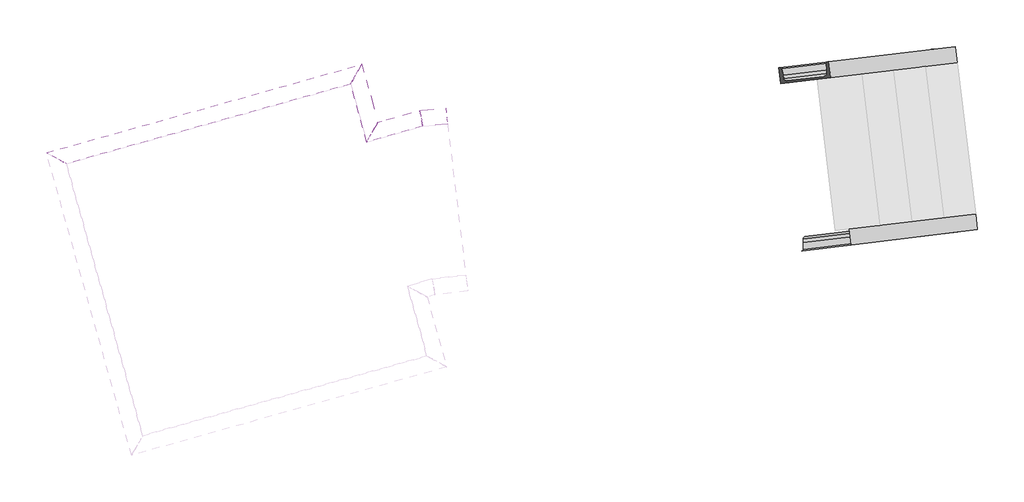
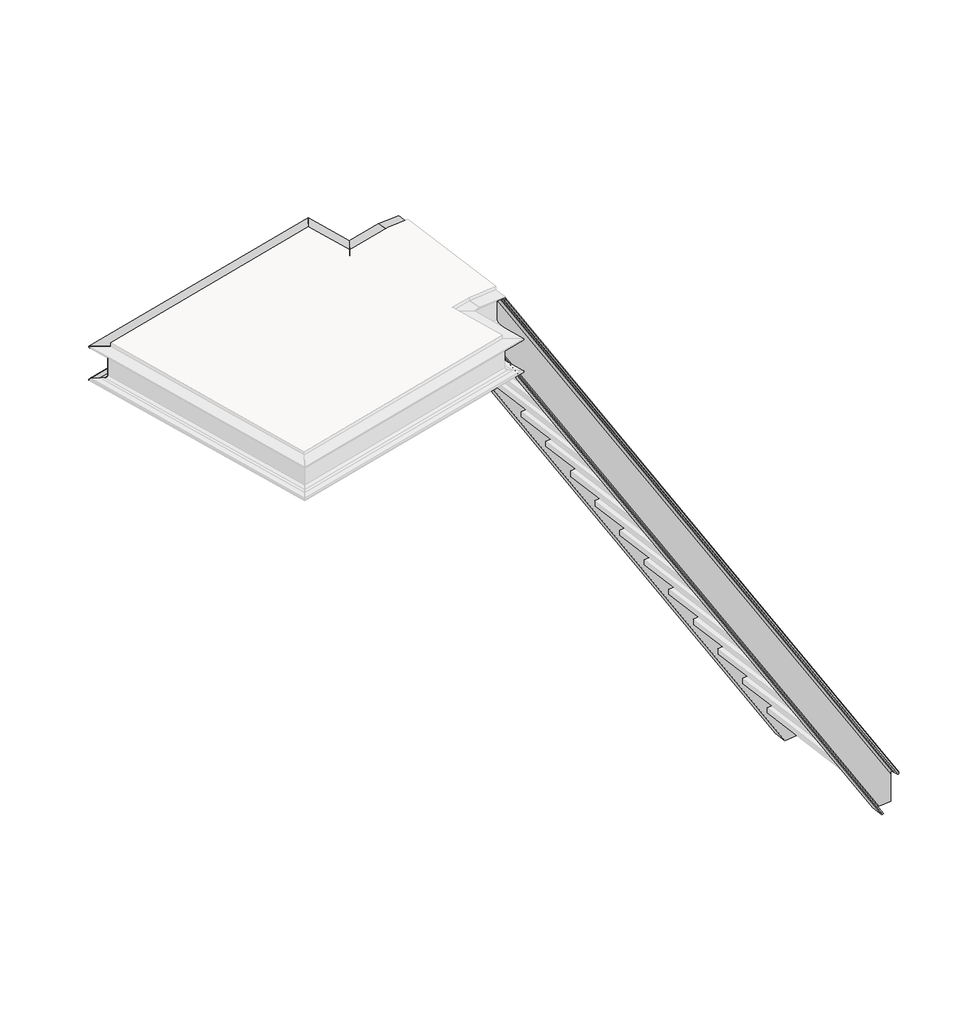
# One storey, part 4 of 4: 6 members.
"""IFC4 building model written with IfcOpenShell, lengths in millimetres."""

from ifc_helpers import new_model, si_unit, frame, origin, place, context, project, spatial, polyline, ellipse_curve, element, save
from ifc_brep_helpers import plane_surface, cylinder_surface, revolved_surface, advanced_brep

model = new_model("IFC4")

# Units and contexts
model_context = context("Model", 3, world=origin())
ifc_project = project(units=[si_unit("LENGTHUNIT", "METRE", prefix="MILLI")], contexts=[model_context])

# Site, building, storey
site = spatial("IfcSite", under=ifc_project)
building = spatial("IfcBuilding", under=site)
storey = spatial("IfcBuildingStorey", under=building, Elevation=11092.3025218)

# Members
placement = place(None, origin())
element("IfcMember", 1, at=placement, inside=storey, context=model_context, shape_type="AdvancedBrep", body=[
    advanced_brep(
    [(-134916.4095389, 42391.160204, 11129.5), (-134915.2686979, 42381.7289537, 11129.5), (-135016.9264997, 42369.4320277, 11129.5), (-135025.933139, 42443.8892668, 11129.5), (-135021.2478686, 42444.4560154, 11129.5), (-135012.9387678, 42439.4358571, 11129.5), (-135006.1997708, 42408.5029336, 11129.5), (-135002.7709361, 42392.7641105, 11129.5), (-134986.1527344, 42382.7237938, 11129.5), (-134915.2686979, 42381.7289537, 11342.7513594), (-134916.4095389, 42391.160204, 11291.4449106), (-134917.8461954, 42403.0369399, 11315.8510136), (-134919.7720176, 42418.9575732, 11318.2672814), (-134923.557009, 42450.2478248, 11323.0161897), (-134924.2753373, 42456.1861928, 11335.2192412), (-134924.2753373, 42456.1861928, 11342.7513594), (-137306.906987, 42167.9737331, 15173.1094103), (-137297.9003476, 42093.5164941, 15173.1094103), (-137306.906987, 42167.9737331, 15165.5772921), (-137306.1886587, 42162.0353652, 15153.3742406), (-137302.4036673, 42130.7451136, 15148.6253323), (-137300.4778451, 42114.8244802, 15146.2090646), (-137299.0411886, 42102.9477444, 15121.8029615), (-137299.0411886, 42102.9477444, 14847.7377362), (-137300.4778451, 42114.8244802, 14823.3316332), (-137297.9003476, 42093.5164941, 14796.4312874), (-137306.906987, 42167.9737331, 14796.4312874), (-137306.906987, 42167.9737331, 14803.9634056), (-137306.1886587, 42162.0353652, 14816.1664571), (-137302.4036673, 42130.7451136, 14820.9153654)],
    [
        (0, 1),
        (1, 2),
        (2, 3),
        (3, 4),
        (4, 5, ellipse_curve(frame((-135020.4672932, 42438.0030547, 11129.5), z_axis=(0.0, 0.0, -1.0), x_axis=(0.992763187371111, 0.12008852485043019, 0.0)), 7.6705345, 6.5)),
        (5, 6),
        (6, 7),
        (7, 8, ellipse_curve(frame((-134987.7138853, 42395.6297152, 11129.5), z_axis=(0.0, 0.0, 1.0), x_axis=(-0.992763187371111, -0.12008852485043019, 0.0)), 15.341069, 13.0)),
        (8, 0),
        (9, 1),
        (0, 10),
        (10, 11, ellipse_curve(frame((-134917.9706897, 42404.0661254, 11291.4449106), z_axis=(-0.992763187371111, -0.12008852485043019, 0.0), x_axis=(0.0, 0.0, 1.0)), 24.484078, 13.0)),
        (11, 12),
        (12, 13),
        (13, 14, ellipse_curve(frame((-134923.4947619, 42449.7332321, 11335.2192412), z_axis=(0.992763187371111, 0.12008852485043019, 0.0), x_axis=(0.0, 0.0, -1.0)), 12.242039, 6.5)),
        (14, 15),
        (15, 9),
        (15, 16),
        (16, 17),
        (17, 9),
        (14, 18),
        (18, 16),
        (13, 19),
        (19, 18, ellipse_curve(frame((-137306.1264116, 42161.5207724, 15165.5772921), z_axis=(0.992763187371111, 0.12008852485043019, 0.0), x_axis=(0.0, 0.0, -1.0)), 12.242039, 6.5)),
        (12, 20),
        (20, 19),
        (11, 21),
        (21, 20),
        (10, 22),
        (22, 21, ellipse_curve(frame((-137300.6023394, 42115.8536658, 15121.8029615), z_axis=(-0.992763187371111, -0.12008852485043019, 0.0), x_axis=(0.0, 0.0, 1.0)), 24.484078, 13.0)),
        (8, 23),
        (23, 22),
        (7, 24),
        (24, 23, ellipse_curve(frame((-137300.6023394, 42115.8536658, 14847.7377362), z_axis=(-0.992763187371111, -0.12008852485043019, 0.0), x_axis=(0.0, 0.0, 1.0)), 24.484078, 13.0)),
        (17, 25),
        (25, 2),
        (25, 26),
        (26, 3),
        (26, 27),
        (27, 4),
        (27, 28, ellipse_curve(frame((-137306.1264116, 42161.5207724, 14803.9634056), z_axis=(0.992763187371111, 0.12008852485043019, 0.0), x_axis=(0.0, 0.0, -1.0)), 12.242039, 6.5)),
        (28, 5),
        (28, 29),
        (29, 6),
        (29, 24),
    ],
    [
        plane_surface(frame((0.0, 0.0, 11129.5), z_axis=(0.0, 0.0, -1.0), x_axis=(1.0, 0.0, 0.0))),
        plane_surface(frame((-134915.2686979, 42381.7289537, 11342.7513594), z_axis=(0.992763187371111, 0.12008852485043019, 0.0), x_axis=(0.12008852485043019, -0.992763187371111, 0.0))),
        plane_surface(frame((-134924.2753373, 42456.1861928, 11342.7513594), z_axis=(0.8412661092597928, 0.10176284470739953, 0.5309573022832894), x_axis=(-0.5271148637727248, -0.06376187918976416, 0.8473985739615402))),
        plane_surface(frame((-134924.2753373, 42456.1861928, 11335.2192412), z_axis=(-0.12008852485043017, 0.9927631873711109, 0.0), x_axis=(-0.527114863772725, -0.06376187918976418, 0.84739857396154))),
        cylinder_surface(frame((-134926.8591812, 42449.3262587, 11340.6279373), z_axis=(0.5271148637727248, 0.06376187918976416, -0.8473985739615401), x_axis=(-0.12008852485043019, 0.992763187371111, 0.0)), 6.5),
        plane_surface(frame((-134919.7720176, 42418.9575732, 11318.2672814), z_axis=(-0.8481633971326242, -0.022270637340458126, -0.5292663511663067), x_axis=(-0.5271148637727248, -0.06376187918976416, 0.8473985739615402))),
        plane_surface(frame((-134917.8461954, 42403.0369399, 11315.8510136), z_axis=(-0.8481633971326242, -0.022270637340458376, -0.5292663511663067), x_axis=(-0.5271148637727248, -0.06376187918976416, 0.8473985739615402))),
        revolved_surface(polyline([(-137313.09994967323, 42127.43667027648, 15139.384594553438), (-134908.59538115337, 42418.29496387851, 11273.863277502778)]), (-134940.8880688, 42401.2939495, 11328.2872682), (-0.5271148637727248, -0.06376187918976416, 0.8473985739615401)),
        plane_surface(frame((-134916.4095389, 42391.160204, 11017.3796852), z_axis=(-0.12008852485043016, 0.992763187371111, 0.0), x_axis=(-0.5271148637727248, -0.06376187918976416, 0.8473985739615402))),
        revolved_surface(polyline([(-137313.09994968201, 42127.436670299576, 14865.319369249703), (-134984.98144697008, 42409.05500609627, 11122.597555087006)]), (-135063.3065326, 42386.4857325, 11251.0239902), (-0.5271148637727248, -0.06376187918976416, 0.8473985739615401)),
        plane_surface(frame((-134915.2686979, 42381.7289537, 11342.7513594), z_axis=(0.12008852485043016, -0.992763187371111, 0.0), x_axis=(-0.5271148637727248, -0.06376187918976416, 0.8473985739615402))),
        plane_surface(frame((-134915.2686979, 42381.7289537, 10966.0732364), z_axis=(-0.8412661092597928, -0.10176284470739953, -0.5309573022832894), x_axis=(-0.5271148637727248, -0.06376187918976416, 0.8473985739615402))),
        plane_surface(frame((-134924.2753373, 42456.1861928, 10966.0732364), z_axis=(-0.12008852485043016, 0.992763187371111, 0.0), x_axis=(-0.5271148637727248, -0.06376187918976416, 0.8473985739615402))),
        cylinder_surface(frame((-135088.3835644, 42429.7876365, 11238.683321), z_axis=(0.5271148637727248, 0.06376187918976416, -0.8473985739615401), x_axis=(-0.12008852485043019, 0.992763187371111, 0.0)), 6.5),
        plane_surface(frame((-134923.557009, 42450.2478248, 10985.8084062), z_axis=(0.8290104249169801, 0.1806068794428177, 0.5292663511663065), x_axis=(-0.5271148637727248, -0.06376187918976416, 0.8473985739615402))),
        plane_surface(frame((-134919.7720176, 42418.9575732, 10990.5573144), z_axis=(0.8290104249169798, 0.18060687944281756, 0.5292663511663067), x_axis=(-0.527114863772725, -0.06376187918976418, 0.84739857396154))),
        plane_surface(frame((-137297.9003476, 42093.5164941, 15173.1094103), z_axis=(-0.992763187371111, -0.12008852485043019, 0.0), x_axis=(0.12008852485043019, -0.992763187371111, 0.0))),
    ],
    [
        (0, [[1, 2, 3, 4, 5, 6, 7, 8, 9]]),
        (1, [[10, -1, 11, 12, 13, 14, 15, 16, 17]]),
        (2, [[-17, 18, 19, 20]]),
        (3, [[-16, 21, 22, -18]]),
        (4, [[-15, 23, 24, -21]]),
        (5, [[-14, 25, 26, -23]]),
        (6, [[-13, 27, 28, -25]]),
        (7, [[-12, 29, 30, -27]]),
        (8, [[-11, -9, 31, 32, -29]]),
        (9, [[33, 34, -31, -8]]),
        (10, [[-10, -20, 35, 36, -2]]),
        (11, [[-36, 37, 38, -3]]),
        (12, [[-38, 39, 40, -4]]),
        (13, [[-40, 41, 42, -5]]),
        (14, [[-42, 43, 44, -6]]),
        (15, [[-44, 45, -33, -7]]),
        (16, [[-19, -22, -24, -26, -28, -30, -32, -34, -45, -43, -41, -39, -37, -35]]),
    ],
),
])
element("IfcMember", 2, at=placement, inside=storey, context=model_context, shape_type="AdvancedBrep", body=[
    advanced_brep(
    [(-134829.6043174, 41673.5476883, 11129.5), (-134828.4634764, 41664.116438, 11129.5), (-134898.2066719, 41655.6800278, 11129.5), (-134911.9515605, 41641.9668728, 11129.5), (-134911.5287508, 41625.8644291, 11129.5), (-134910.697765, 41594.2168494, 11129.5), (-134917.5702093, 41587.3602719, 11129.5), (-134922.2554797, 41586.7935232, 11129.5), (-134931.2621191, 41661.2507623, 11129.5), (-134829.6043174, 41673.5476883, 11342.7513594), (-134820.597678, 41599.0904492, 11342.7513594), (-134820.597678, 41599.0904492, 11335.2192412), (-134821.3160062, 41605.0288172, 11323.0161897), (-134825.1009977, 41636.3190687, 11318.2672814), (-134827.0268199, 41652.2397021, 11315.8510136), (-134828.4634764, 41664.116438, 11291.4449106), (-137212.235967, 41385.3352286, 14796.4312874), (-137212.235967, 41385.3352286, 15173.1094103), (-137211.0951261, 41375.9039784, 14847.7377362), (-137209.6584696, 41364.0272425, 14823.3316332), (-137211.0951261, 41375.9039784, 15121.8029615), (-137209.6584696, 41364.0272425, 15146.2090646), (-137207.7326474, 41348.1066091, 15148.6253323), (-137203.9476559, 41316.8163575, 15153.3742406), (-137203.2293277, 41310.8779896, 15165.5772921), (-137203.2293277, 41310.8779896, 15173.1094103), (-137207.7326474, 41348.1066091, 14820.9153654), (-137203.9476559, 41316.8163575, 14816.1664571), (-137203.2293277, 41310.8779896, 14803.9634056), (-137203.2293277, 41310.8779896, 14796.4312874)],
    [
        (0, 1),
        (1, 2),
        (2, 3, ellipse_curve(frame((-134896.6455211, 41642.7741064, 11129.5), z_axis=(0.0, 0.0, 1.0), x_axis=(-0.992763187371111, -0.1200885248504302, 0.0)), 15.341069, 13.0)),
        (3, 4),
        (4, 5),
        (5, 6, ellipse_curve(frame((-134918.3507847, 41593.8132326, 11129.5), z_axis=(0.0, 0.0, -1.0), x_axis=(0.992763187371111, 0.1200885248504302, 0.0)), 7.6705345, 6.5)),
        (6, 7),
        (7, 8),
        (8, 0),
        (9, 10),
        (10, 11),
        (11, 12, ellipse_curve(frame((-134821.3782534, 41605.5434099, 11335.2192412), z_axis=(0.992763187371111, 0.1200885248504302, 0.0), x_axis=(0.0, 0.0, -1.0)), 12.242039, 6.5)),
        (12, 13),
        (13, 14),
        (14, 15, ellipse_curve(frame((-134826.9023255, 41651.2105166, 11291.4449106), z_axis=(-0.992763187371111, -0.1200885248504302, 0.0), x_axis=(0.0, 0.0, 1.0)), 24.484078, 13.0)),
        (15, 1),
        (0, 9),
        (8, 16),
        (16, 17),
        (17, 9),
        (2, 18),
        (18, 19, ellipse_curve(frame((-137209.5339752, 41362.9980569, 14847.7377362), z_axis=(-0.992763187371111, -0.1200885248504302, 0.0), x_axis=(0.0, 0.0, 1.0)), 24.484078, 13.0)),
        (19, 3),
        (15, 20),
        (20, 18),
        (14, 21),
        (21, 20, ellipse_curve(frame((-137209.5339752, 41362.9980569, 15121.8029615), z_axis=(-0.992763187371111, -0.1200885248504302, 0.0), x_axis=(0.0, 0.0, 1.0)), 24.484078, 13.0)),
        (13, 22),
        (22, 21),
        (12, 23),
        (23, 22),
        (11, 24),
        (24, 23, ellipse_curve(frame((-137204.0099031, 41317.3309503, 15165.5772921), z_axis=(0.992763187371111, 0.1200885248504302, 0.0), x_axis=(0.0, 0.0, -1.0)), 12.242039, 6.5)),
        (10, 25),
        (25, 24),
        (17, 25),
        (19, 26),
        (26, 4),
        (26, 27),
        (27, 5),
        (27, 28, ellipse_curve(frame((-137204.0099031, 41317.3309503, 14803.9634056), z_axis=(0.992763187371111, 0.1200885248504302, 0.0), x_axis=(0.0, 0.0, -1.0)), 12.242039, 6.5)),
        (28, 6),
        (28, 29),
        (29, 7),
        (29, 16),
    ],
    [
        plane_surface(frame((0.0, 0.0, 11129.5), z_axis=(0.0, 0.0, -1.0), x_axis=(1.0, 0.0, 0.0))),
        plane_surface(frame((-134829.6043174, 41673.5476883, 11342.7513594), z_axis=(0.992763187371111, 0.1200885248504302, 0.0), x_axis=(0.1200885248504302, -0.992763187371111, 0.0))),
        plane_surface(frame((-134829.6043174, 41673.5476883, 10966.0732364), z_axis=(-0.12008852485043023, 0.9927631873711111, 0.0), x_axis=(-0.5271148637727269, -0.06376187918976442, 0.8473985739615388))),
        revolved_surface(polyline([(-137218.90928383594, 41348.76921852792, 14865.319369249686), (-134890.79078112062, 41630.387554325025, 11122.597555081591)]), (-134972.2381684, 41633.6301236, 11251.0239902), (-0.5271148637727269, -0.06376187918976442, 0.847398573961539)),
        plane_surface(frame((-134828.4634764, 41664.116438, 11291.4449106), z_axis=(0.12008852485043023, -0.9927631873711111, 0.0), x_axis=(-0.5271148637727269, -0.06376187918976442, 0.8473985739615388))),
        revolved_surface(polyline([(-137218.90928382712, 41348.769218504814, 15139.384594553432), (-134814.4047153039, 41639.62751210725, 11273.863277497376)]), (-134849.8197046, 41648.4383406, 11328.2872682), (-0.5271148637727269, -0.06376187918976442, 0.847398573961539)),
        plane_surface(frame((-134825.1009977, 41636.3190687, 11318.2672814), z_axis=(-0.8290104249169798, -0.18060687944281129, -0.5292663511663087), x_axis=(-0.5271148637727268, -0.0637618791897644, 0.847398573961539))),
        plane_surface(frame((-134821.3160062, 41605.0288172, 11323.0161897), z_axis=(-0.8290104249169798, -0.18060687944281156, -0.5292663511663088), x_axis=(-0.5271148637727269, -0.06376187918976442, 0.8473985739615388))),
        cylinder_surface(frame((-134824.7426727, 41605.1364366, 11340.6279373), z_axis=(0.5271148637727269, 0.06376187918976442, -0.847398573961539), x_axis=(0.1200885248504302, -0.992763187371111, 0.0)), 6.5),
        plane_surface(frame((-134820.597678, 41599.0904492, 11342.7513594), z_axis=(0.12008852485043023, -0.9927631873711111, 0.0), x_axis=(-0.5271148637727269, -0.06376187918976442, 0.8473985739615388))),
        plane_surface(frame((-134829.6043174, 41673.5476883, 11342.7513594), z_axis=(0.8412661092597916, 0.10176284470739938, 0.5309573022832914), x_axis=(-0.5271148637727268, -0.0637618791897644, 0.847398573961539))),
        plane_surface(frame((-134827.0268199, 41652.2397021, 10992.9735822), z_axis=(0.8481633971326233, 0.02227063734045199, 0.5292663511663084), x_axis=(-0.5271148637727268, -0.0637618791897644, 0.847398573961539))),
        plane_surface(frame((-134825.1009977, 41636.3190687, 10990.5573144), z_axis=(0.8481633971326233, 0.022270637340451916, 0.5292663511663084), x_axis=(-0.5271148637727268, -0.0637618791897644, 0.847398573961539))),
        cylinder_surface(frame((-134986.2670559, 41585.5978143, 11238.683321), z_axis=(0.5271148637727269, 0.06376187918976442, -0.847398573961539), x_axis=(0.1200885248504302, -0.992763187371111, 0.0)), 6.5),
        plane_surface(frame((-134820.597678, 41599.0904492, 10973.6053547), z_axis=(0.12008852485043023, -0.9927631873711111, 0.0), x_axis=(-0.5271148637727269, -0.06376187918976442, 0.8473985739615388))),
        plane_surface(frame((-134820.597678, 41599.0904492, 10966.0732364), z_axis=(-0.8412661092597915, -0.1017628447073994, -0.5309573022832915), x_axis=(-0.5271148637727269, -0.06376187918976442, 0.8473985739615388))),
        plane_surface(frame((-137212.235967, 41385.3352286, 15173.1094103), z_axis=(-0.992763187371111, -0.1200885248504302, 0.0), x_axis=(0.1200885248504302, -0.992763187371111, 0.0))),
    ],
    [
        (0, [[1, 2, 3, 4, 5, 6, 7, 8, 9]]),
        (1, [[10, 11, 12, 13, 14, 15, 16, -1, 17]]),
        (2, [[-17, -9, 18, 19, 20]]),
        (3, [[21, 22, 23, -3]]),
        (4, [[-16, 24, 25, -21, -2]]),
        (5, [[-15, 26, 27, -24]]),
        (6, [[-14, 28, 29, -26]]),
        (7, [[-13, 30, 31, -28]]),
        (8, [[-12, 32, 33, -30]]),
        (9, [[-11, 34, 35, -32]]),
        (10, [[-10, -20, 36, -34]]),
        (11, [[-23, 37, 38, -4]]),
        (12, [[-38, 39, 40, -5]]),
        (13, [[-40, 41, 42, -6]]),
        (14, [[-42, 43, 44, -7]]),
        (15, [[-44, 45, -18, -8]]),
        (16, [[-19, -45, -43, -41, -39, -37, -22, -25, -27, -29, -31, -33, -35, -36]]),
    ],
),
])
element("IfcMember", 3, ObjectType="UPN200", at=placement, inside=storey, context=model_context, shape_type="AdvancedBrep", body=[
    advanced_brep(
    [(-137751.084096, 42279.9264431, 14979.2554291), (-137751.084096, 42279.9264431, 15179.2554291), (-139079.7238046, 41906.9431665, 15179.2554291), (-139079.7238046, 41906.9431665, 14979.2554291), (-137699.1462464, 42372.4059532, 14979.2554291), (-139172.2033147, 41958.8810161, 14979.2554291), (-137699.1462464, 42372.4059532, 14983.2546623), (-139172.2033147, 41958.8810161, 14983.2546623), (-137703.2885711, 42365.0302116, 14989.7339616), (-139164.8275731, 41954.7386914, 14989.7339616), (-137725.1151712, 42326.1661982, 14992.2554291), (-139125.9635597, 41932.9120913, 14992.2554291), (-137736.2206523, 42306.3919976, 14993.5383642), (-139106.1893592, 41921.8066102, 14993.5383642), (-137744.5053017, 42291.6405144, 15006.4969628), (-139091.4378759, 41913.5219608, 15006.4969628), (-137744.5053017, 42291.6405144, 15152.0138955), (-139091.4378759, 41913.5219608, 15152.0138955), (-137736.2206523, 42306.3919976, 15164.9724941), (-139106.1893592, 41921.8066102, 15164.9724941), (-137725.1151712, 42326.1661982, 15166.2554291), (-139125.9635597, 41932.9120913, 15166.2554291), (-137703.2885711, 42365.0302116, 15168.7768966), (-139164.8275731, 41954.7386914, 15168.7768966), (-137699.1462464, 42372.4059532, 15175.256196), (-139172.2033147, 41958.8810161, 15175.256196), (-137699.1462464, 42372.4059532, 15179.2554291), (-139172.2033147, 41958.8810161, 15179.2554291)],
    [
        (0, 1),
        (1, 2),
        (2, 3),
        (3, 0),
        (4, 0),
        (3, 5),
        (5, 4),
        (6, 4),
        (5, 7),
        (7, 6),
        (8, 6, ellipse_curve(frame((-137703.6475267, 42364.3910623, 14983.2546623), z_axis=(-0.8719051825353673, 0.48967474170919617, 0.0), x_axis=(0.48967474170919595, 0.8719051825353673, 0.0)), 9.1923882, 6.5)),
        (7, 9, ellipse_curve(frame((-139164.1884238, 41954.3797358, 14983.2546623), z_axis=(0.4896747417089634, 0.871905182535498, 0.0), x_axis=(0.8719051825354979, -0.48967474170896336, 0.0)), 9.1923882, 6.5)),
        (9, 8),
        (10, 8),
        (9, 11),
        (11, 10),
        (12, 10),
        (11, 13),
        (13, 12),
        (14, 12, ellipse_curve(frame((-137735.5027411, 42307.6702962, 15006.4969628), z_axis=(0.8719051825353673, -0.48967474170919617, 0.0), x_axis=(-0.48967474170919595, -0.8719051825353673, 0.0)), 18.3847763, 13.0)),
        (13, 15, ellipse_curve(frame((-139107.4676577, 41922.5245214, 15006.4969628), z_axis=(-0.4896747417089634, -0.871905182535498, 0.0), x_axis=(-0.8719051825354979, 0.48967474170896336, 0.0)), 18.3847763, 13.0)),
        (15, 14),
        (16, 14),
        (15, 17),
        (17, 16),
        (18, 16, ellipse_curve(frame((-137735.5027411, 42307.6702962, 15152.0138955), z_axis=(0.8719051825353673, -0.48967474170919617, 0.0), x_axis=(-0.48967474170919595, -0.8719051825353673, 0.0)), 18.3847763, 13.0)),
        (17, 19, ellipse_curve(frame((-139107.4676577, 41922.5245214, 15152.0138955), z_axis=(-0.4896747417089634, -0.871905182535498, 0.0), x_axis=(-0.8719051825354979, 0.48967474170896336, 0.0)), 18.3847763, 13.0)),
        (19, 18),
        (20, 18),
        (19, 21),
        (21, 20),
        (22, 20),
        (21, 23),
        (23, 22),
        (24, 22, ellipse_curve(frame((-137703.6475267, 42364.3910623, 15175.256196), z_axis=(-0.8719051825353673, 0.48967474170919617, 0.0), x_axis=(0.48967474170919595, 0.8719051825353673, 0.0)), 9.1923882, 6.5)),
        (23, 25, ellipse_curve(frame((-139164.1884238, 41954.3797358, 15175.256196), z_axis=(0.4896747417089634, 0.871905182535498, 0.0), x_axis=(0.8719051825354979, -0.48967474170896336, 0.0)), 9.1923882, 6.5)),
        (25, 24),
        (26, 24),
        (25, 27),
        (27, 26),
        (1, 26),
        (27, 2),
    ],
    [
        plane_surface(frame((-137751.084096, 42279.9264431, 15179.2554291), z_axis=(0.2702777366842528, -0.962782397560756, 0.0), x_axis=(-0.962782397560756, -0.2702777366842528, 0.0))),
        plane_surface(frame((-137751.084096, 42279.9264431, 14979.2554291), z_axis=(0.0, 0.0, -1.0), x_axis=(-0.962782397560756, -0.2702777366842528, 0.0))),
        plane_surface(frame((-137771.3549263, 42352.1351229, 14979.2554291), z_axis=(-0.2702777366842528, 0.962782397560756, 0.0), x_axis=(-0.962782397560756, -0.2702777366842528, 0.0))),
        cylinder_surface(frame((-137769.598121, 42345.8770374, 14983.2546623), z_axis=(0.9627823975607557, 0.27027773668425403, 0.0), x_axis=(-0.27027773668425403, 0.9627823975607557, 0.0)), 6.5),
        plane_surface(frame((-137769.7382178, 42346.3760898, 14989.7339616), z_axis=(-0.021553358190003025, 0.07677729630353937, 0.9968152785361248), x_axis=(-0.962782397560756, -0.2702777366842528, 0.0))),
        plane_surface(frame((-137761.2195111, 42316.030783, 14992.2554291), z_axis=(-0.021553358190003005, 0.07677729630353929, 0.9968152785361248), x_axis=(-0.962782397560756, -0.2702777366842528, 0.0))),
        revolved_surface(polyline([(-139123.49743943635, 41931.5270819883, 15006.4969628), (-137726.5001805136, 42323.70007793458, 15006.4969628)]), (-137757.1653451, 42301.5890471, 15006.4969628), (-0.9627823975607557, -0.27027773668425403, 0.0)),
        plane_surface(frame((-137753.6517345, 42289.0728759, 15006.4969628), z_axis=(-0.2702777366842528, 0.962782397560756, 0.0), x_axis=(-0.962782397560756, -0.2702777366842528, 0.0))),
        revolved_surface(polyline([(-139123.49743943635, 41931.5270819883, 15152.0138955), (-137726.5001805136, 42323.70007793458, 15152.0138955)]), (-137757.1653451, 42301.5890471, 15152.0138955), (-0.9627823975607557, -0.27027773668425403, 0.0)),
        plane_surface(frame((-137756.8851514, 42300.5909422, 15164.9724941), z_axis=(-0.02155335819000132, 0.07677729630353329, -0.9968152785361253), x_axis=(-0.962782397560756, -0.2702777366842528, 0.0))),
        plane_surface(frame((-137761.2195111, 42316.030783, 15166.2554291), z_axis=(-0.021553358190001388, 0.07677729630353353, -0.9968152785361253), x_axis=(-0.962782397560756, -0.2702777366842528, 0.0))),
        cylinder_surface(frame((-137769.598121, 42345.8770374, 15175.256196), z_axis=(0.9627823975607557, 0.27027773668425403, 0.0), x_axis=(-0.27027773668425403, 0.9627823975607557, 0.0)), 6.5),
        plane_surface(frame((-137771.3549263, 42352.1351229, 15175.256196), z_axis=(-0.2702777366842528, 0.962782397560756, 0.0), x_axis=(-0.962782397560756, -0.2702777366842528, 0.0))),
        plane_surface(frame((-137771.3549263, 42352.1351229, 15179.2554291), z_axis=(0.0, 0.0, 1.0), x_axis=(-0.962782397560756, -0.2702777366842528, 0.0))),
        plane_surface(frame((-137751.084096, 42279.9264431, 15179.2554291), z_axis=(0.8719051825353673, -0.48967474170919617, 0.0), x_axis=(0.48967474170919617, 0.8719051825353673, 0.0))),
        plane_surface(frame((-139079.7238046, 41906.9431665, 15179.2554291), z_axis=(-0.4896747417089634, -0.871905182535498, 0.0), x_axis=(-0.871905182535498, 0.4896747417089634, 0.0))),
    ],
    [
        (0, [[1, 2, 3, 4]]),
        (1, [[5, -4, 6, 7]]),
        (2, [[8, -7, 9, 10]]),
        (3, [[11, -10, 12, 13]]),
        (4, [[14, -13, 15, 16]]),
        (5, [[17, -16, 18, 19]]),
        (6, [[20, -19, 21, 22]]),
        (7, [[23, -22, 24, 25]]),
        (8, [[26, -25, 27, 28]]),
        (9, [[29, -28, 30, 31]]),
        (10, [[32, -31, 33, 34]]),
        (11, [[35, -34, 36, 37]]),
        (12, [[38, -37, 39, 40]]),
        (13, [[41, -40, 42, -2]]),
        (14, [[-1, -5, -8, -11, -14, -17, -20, -23, -26, -29, -32, -35, -38, -41]]),
        (15, [[-42, -39, -36, -33, -30, -27, -24, -21, -18, -15, -12, -9, -6, -3]]),
    ],
),
])
element("IfcMember", 4, ObjectType="UPN200", at=placement, inside=storey, context=model_context, shape_type="AdvancedBrep", body=[
    advanced_brep(
    [(-137675.1111454, 42009.2958673, 14979.2554291), (-137675.1111454, 42009.2958673, 15179.2554291), (-137751.084096, 42279.9264431, 15179.2554291), (-137751.084096, 42279.9264431, 14979.2554291), (-137623.1732959, 42101.7753774, 14979.2554291), (-137699.1462464, 42372.4059532, 14979.2554291), (-137623.1732959, 42101.7753774, 14983.2546623), (-137699.1462464, 42372.4059532, 14983.2546623), (-137627.3156206, 42094.3996358, 14989.7339616), (-137703.2885711, 42365.0302116, 14989.7339616), (-137649.1422207, 42055.5356224, 14992.2554291), (-137725.1151712, 42326.1661982, 14992.2554291), (-137660.2477018, 42035.7614219, 14993.5383642), (-137736.2206523, 42306.3919976, 14993.5383642), (-137668.5323512, 42021.0099386, 15006.4969628), (-137744.5053017, 42291.6405144, 15006.4969628), (-137668.5323512, 42021.0099386, 15152.0138955), (-137744.5053017, 42291.6405144, 15152.0138955), (-137660.2477018, 42035.7614219, 15164.9724941), (-137736.2206523, 42306.3919976, 15164.9724941), (-137649.1422207, 42055.5356224, 15166.2554291), (-137725.1151712, 42326.1661982, 15166.2554291), (-137627.3156206, 42094.3996358, 15168.7768966), (-137703.2885711, 42365.0302116, 15168.7768966), (-137623.1732959, 42101.7753774, 15175.256196), (-137699.1462464, 42372.4059532, 15175.256196), (-137623.1732959, 42101.7753774, 15179.2554291), (-137699.1462464, 42372.4059532, 15179.2554291)],
    [
        (0, 1),
        (1, 2),
        (2, 3),
        (3, 0),
        (4, 0),
        (3, 5),
        (5, 4),
        (6, 4),
        (5, 7),
        (7, 6),
        (8, 6, ellipse_curve(frame((-137627.6745762, 42093.7604865, 14983.2546623), z_axis=(-0.8719051825353673, 0.48967474170919617, 0.0), x_axis=(-0.4896747417091963, -0.8719051825353671, 0.0)), 9.1923882, 6.5)),
        (7, 9, ellipse_curve(frame((-137703.6475267, 42364.3910623, 14983.2546623), z_axis=(0.8719051825353673, -0.48967474170919617, 0.0), x_axis=(-0.4896747417091963, -0.8719051825353671, 0.0)), 9.1923882, 6.5)),
        (9, 8),
        (10, 8),
        (9, 11),
        (11, 10),
        (12, 10),
        (11, 13),
        (13, 12),
        (14, 12, ellipse_curve(frame((-137659.5297906, 42037.0397204, 15006.4969628), z_axis=(0.8719051825353673, -0.48967474170919617, 0.0), x_axis=(0.4896747417091963, 0.8719051825353671, 0.0)), 18.3847763, 13.0)),
        (13, 15, ellipse_curve(frame((-137735.5027411, 42307.6702962, 15006.4969628), z_axis=(-0.8719051825353673, 0.48967474170919617, 0.0), x_axis=(0.4896747417091963, 0.8719051825353671, 0.0)), 18.3847763, 13.0)),
        (15, 14),
        (16, 14),
        (15, 17),
        (17, 16),
        (18, 16, ellipse_curve(frame((-137659.5297906, 42037.0397204, 15152.0138955), z_axis=(0.8719051825353673, -0.48967474170919617, 0.0), x_axis=(0.4896747417091963, 0.8719051825353671, 0.0)), 18.3847763, 13.0)),
        (17, 19, ellipse_curve(frame((-137735.5027411, 42307.6702962, 15152.0138955), z_axis=(-0.8719051825353673, 0.48967474170919617, 0.0), x_axis=(0.4896747417091963, 0.8719051825353671, 0.0)), 18.3847763, 13.0)),
        (19, 18),
        (20, 18),
        (19, 21),
        (21, 20),
        (22, 20),
        (21, 23),
        (23, 22),
        (24, 22, ellipse_curve(frame((-137627.6745762, 42093.7604865, 15175.256196), z_axis=(-0.8719051825353673, 0.48967474170919617, 0.0), x_axis=(-0.4896747417091963, -0.8719051825353671, 0.0)), 9.1923882, 6.5)),
        (23, 25, ellipse_curve(frame((-137703.6475267, 42364.3910623, 15175.256196), z_axis=(0.8719051825353673, -0.48967474170919617, 0.0), x_axis=(-0.4896747417091963, -0.8719051825353671, 0.0)), 9.1923882, 6.5)),
        (25, 24),
        (26, 24),
        (25, 27),
        (27, 26),
        (1, 26),
        (27, 2),
    ],
    [
        plane_surface(frame((-137675.1111454, 42009.2958673, 15179.2554291), z_axis=(-0.9627823975607479, -0.2702777366842819, 0.0), x_axis=(-0.2702777366842819, 0.9627823975607479, 0.0))),
        plane_surface(frame((-137675.1111454, 42009.2958673, 14979.2554291), z_axis=(0.0, 0.0, -1.0), x_axis=(-0.2702777366842819, 0.9627823975607479, 0.0))),
        plane_surface(frame((-137602.9024656, 42029.5666976, 14979.2554291), z_axis=(0.9627823975607479, 0.2702777366842819, 0.0), x_axis=(-0.2702777366842819, 0.9627823975607479, 0.0))),
        cylinder_surface(frame((-137609.1605512, 42027.8098923, 14983.2546623), z_axis=(0.27027773668427474, -0.9627823975607499, 0.0), x_axis=(0.9627823975607499, 0.27027773668427474, 0.0)), 6.5),
        plane_surface(frame((-137608.6614988, 42027.9499891, 14989.7339616), z_axis=(0.0767772963035387, 0.021553358190005343, 0.996815278536125), x_axis=(-0.2702777366842819, 0.9627823975607479, 0.0))),
        plane_surface(frame((-137639.0068055, 42019.4312825, 14992.2554291), z_axis=(0.07677729630353863, 0.021553358190005322, 0.996815278536125), x_axis=(-0.2702777366842819, 0.9627823975607479, 0.0))),
        revolved_surface(polyline([(-137726.5001805679, 42323.70007792056, 15006.4969628), (-137643.50000883263, 42028.03715976243, 15006.4969628)]), (-137653.4485415, 42015.3771164, 15006.4969628), (-0.27027773668427474, 0.9627823975607499, 0.0)),
        plane_surface(frame((-137665.9647127, 42011.8635058, 15006.4969628), z_axis=(0.9627823975607479, 0.2702777366842819, 0.0), x_axis=(-0.2702777366842819, 0.9627823975607479, 0.0))),
        revolved_surface(polyline([(-137726.5001805679, 42323.70007792056, 15152.0138955), (-137643.50000883263, 42028.03715976243, 15152.0138955)]), (-137653.4485415, 42015.3771164, 15152.0138955), (-0.27027773668427474, 0.9627823975607499, 0.0)),
        plane_surface(frame((-137654.4466463, 42015.0969228, 15164.9724941), z_axis=(0.07677729630353264, 0.02155335819000364, -0.9968152785361254), x_axis=(-0.2702777366842819, 0.9627823975607479, 0.0))),
        plane_surface(frame((-137639.0068055, 42019.4312825, 15166.2554291), z_axis=(0.07677729630353289, 0.02155335819000371, -0.9968152785361254), x_axis=(-0.2702777366842819, 0.9627823975607479, 0.0))),
        cylinder_surface(frame((-137609.1605512, 42027.8098923, 15175.256196), z_axis=(0.27027773668427474, -0.9627823975607499, 0.0), x_axis=(0.9627823975607499, 0.27027773668427474, 0.0)), 6.5),
        plane_surface(frame((-137602.9024656, 42029.5666976, 15175.256196), z_axis=(0.9627823975607479, 0.2702777366842819, 0.0), x_axis=(-0.2702777366842819, 0.9627823975607479, 0.0))),
        plane_surface(frame((-137602.9024656, 42029.5666976, 15179.2554291), z_axis=(0.0, 0.0, 1.0), x_axis=(-0.2702777366842819, 0.9627823975607479, 0.0))),
        plane_surface(frame((-137675.1111454, 42009.2958673, 15179.2554291), z_axis=(0.8719051825353673, -0.48967474170919617, 0.0), x_axis=(0.48967474170919617, 0.8719051825353673, 0.0))),
        plane_surface(frame((-137751.084096, 42279.9264431, 15179.2554291), z_axis=(-0.8719051825353673, 0.48967474170919617, 0.0), x_axis=(0.48967474170919617, 0.8719051825353673, 0.0))),
    ],
    [
        (0, [[1, 2, 3, 4]]),
        (1, [[5, -4, 6, 7]]),
        (2, [[8, -7, 9, 10]]),
        (3, [[11, -10, 12, 13]]),
        (4, [[14, -13, 15, 16]]),
        (5, [[17, -16, 18, 19]]),
        (6, [[20, -19, 21, 22]]),
        (7, [[23, -22, 24, 25]]),
        (8, [[26, -25, 27, 28]]),
        (9, [[29, -28, 30, 31]]),
        (10, [[32, -31, 33, 34]]),
        (11, [[35, -34, 36, 37]]),
        (12, [[38, -37, 39, 40]]),
        (13, [[41, -40, 42, -2]]),
        (14, [[-1, -5, -8, -11, -14, -17, -20, -23, -26, -29, -32, -35, -38, -41]]),
        (15, [[-42, -39, -36, -33, -30, -27, -24, -21, -18, -15, -12, -9, -6, -3]]),
    ],
),
])
element("IfcMember", 5, ObjectType="UPN200", at=placement, inside=storey, context=model_context, shape_type="AdvancedBrep", body=[
    advanced_brep(
    [(-137413.8721065, 42082.6323724, 14979.2554291), (-137413.8721065, 42082.6323724, 15179.2554291), (-137675.1111454, 42009.2958673, 15179.2554291), (-137675.1111454, 42009.2958673, 14979.2554291), (-137427.6227622, 42156.6714326, 14979.2554291), (-137623.1732959, 42101.7753774, 14979.2554291), (-137427.6227622, 42156.6714326, 14983.2546623), (-137623.1732959, 42101.7753774, 14983.2546623), (-137426.526073, 42150.7664167, 14989.7339616), (-137627.3156206, 42094.3996358, 14989.7339616), (-137420.7474343, 42119.6519025, 14992.2554291), (-137649.1422207, 42055.5356224, 14992.2554291), (-137417.8072347, 42103.8206852, 14993.5383642), (-137660.2477018, 42035.7614219, 14993.5383642), (-137415.6138562, 42092.0106534, 15006.4969628), (-137668.5323512, 42021.0099386, 15006.4969628), (-137415.6138562, 42092.0106534, 15152.0138955), (-137668.5323512, 42021.0099386, 15152.0138955), (-137417.8072347, 42103.8206852, 15164.9724941), (-137660.2477018, 42035.7614219, 15164.9724941), (-137420.7474343, 42119.6519025, 15166.2554291), (-137649.1422207, 42055.5356224, 15166.2554291), (-137426.526073, 42150.7664167, 15168.7768966), (-137627.3156206, 42094.3996358, 15168.7768966), (-137427.6227622, 42156.6714326, 15175.256196), (-137623.1732959, 42101.7753774, 15175.256196), (-137427.6227622, 42156.6714326, 15179.2554291), (-137623.1732959, 42101.7753774, 15179.2554291)],
    [
        (0, 1),
        (1, 2),
        (2, 3),
        (3, 0),
        (4, 0),
        (3, 5),
        (5, 4),
        (6, 4),
        (5, 7),
        (7, 6),
        (8, 6, ellipse_curve(frame((-137426.4310387, 42150.2547141, 14983.2546623), z_axis=(-0.9831874377857812, -0.1825991845004537, 0.0), x_axis=(-0.18259918450045426, 0.983187437785781, 0.0)), 6.5264448, 6.5)),
        (7, 9, ellipse_curve(frame((-137627.6745762, 42093.7604865, 14983.2546623), z_axis=(0.8719051825353673, -0.48967474170919617, 0.0), x_axis=(0.48967474170919595, 0.8719051825353673, 0.0)), 9.1923882, 6.5)),
        (9, 8),
        (10, 8),
        (9, 11),
        (11, 10),
        (12, 10),
        (11, 13),
        (13, 12),
        (14, 12, ellipse_curve(frame((-137417.9973032, 42104.8440905, 15006.4969628), z_axis=(0.9831874377857812, 0.1825991845004537, 0.0), x_axis=(0.18259918450045426, -0.983187437785781, 0.0)), 13.0528896, 13.0)),
        (13, 15, ellipse_curve(frame((-137659.5297906, 42037.0397204, 15006.4969628), z_axis=(-0.8719051825353673, 0.48967474170919617, 0.0), x_axis=(-0.48967474170919595, -0.8719051825353673, 0.0)), 18.3847763, 13.0)),
        (15, 14),
        (16, 14),
        (15, 17),
        (17, 16),
        (18, 16, ellipse_curve(frame((-137417.9973032, 42104.8440905, 15152.0138955), z_axis=(0.9831874377857812, 0.1825991845004537, 0.0), x_axis=(0.18259918450045426, -0.983187437785781, 0.0)), 13.0528896, 13.0)),
        (17, 19, ellipse_curve(frame((-137659.5297906, 42037.0397204, 15152.0138955), z_axis=(-0.8719051825353673, 0.48967474170919617, 0.0), x_axis=(-0.48967474170919595, -0.8719051825353673, 0.0)), 18.3847763, 13.0)),
        (19, 18),
        (20, 18),
        (19, 21),
        (21, 20),
        (22, 20),
        (21, 23),
        (23, 22),
        (24, 22, ellipse_curve(frame((-137426.4310387, 42150.2547141, 15175.256196), z_axis=(-0.9831874377857812, -0.1825991845004537, 0.0), x_axis=(-0.18259918450045426, 0.983187437785781, 0.0)), 6.5264448, 6.5)),
        (23, 25, ellipse_curve(frame((-137627.6745762, 42093.7604865, 15175.256196), z_axis=(0.8719051825353673, -0.48967474170919617, 0.0), x_axis=(0.48967474170919595, 0.8719051825353673, 0.0)), 9.1923882, 6.5)),
        (25, 24),
        (26, 24),
        (25, 27),
        (27, 26),
        (1, 26),
        (27, 2),
    ],
    [
        plane_surface(frame((-137413.8721065, 42082.6323724, 15179.2554291), z_axis=(0.2702777366842745, -0.9627823975607499, 0.0), x_axis=(-0.9627823975607499, -0.2702777366842745, 0.0))),
        plane_surface(frame((-137413.8721065, 42082.6323724, 14979.2554291), z_axis=(0.0, 0.0, -1.0), x_axis=(-0.9627823975607499, -0.2702777366842745, 0.0))),
        plane_surface(frame((-137434.1429367, 42154.8410522, 14979.2554291), z_axis=(-0.2702777366842745, 0.9627823975607499, 0.0), x_axis=(-0.9627823975607499, -0.2702777366842745, 0.0))),
        cylinder_surface(frame((-137432.3861314, 42148.5829667, 14983.2546623), z_axis=(0.9627823975607502, 0.27027773668427374, 0.0), x_axis=(-0.27027773668427374, 0.9627823975607502, 0.0)), 6.5),
        plane_surface(frame((-137432.5262283, 42149.0820191, 14989.7339616), z_axis=(-0.02155335819000475, 0.07677729630353886, 0.9968152785361247), x_axis=(-0.9627823975607499, -0.2702777366842745, 0.0))),
        plane_surface(frame((-137424.0075216, 42118.7367123, 14992.2554291), z_axis=(-0.021553358190004732, 0.0767772963035388, 0.9968152785361247), x_axis=(-0.9627823975607499, -0.2702777366842745, 0.0))),
        revolved_surface(polyline([(-137675.5595723616, 42046.04228096448, 15006.4969628), (-137420.3807502009, 42117.677527597676, 15006.4969628)]), (-137419.9533555, 42104.2949764, 15006.4969628), (-0.9627823975607502, -0.27027773668427374, 0.0)),
        plane_surface(frame((-137416.439745, 42091.7788052, 15006.4969628), z_axis=(-0.2702777366842745, 0.9627823975607499, 0.0), x_axis=(-0.9627823975607499, -0.2702777366842745, 0.0))),
        revolved_surface(polyline([(-137675.5595723616, 42046.04228096448, 15152.0138955), (-137420.3807502009, 42117.677527597676, 15152.0138955)]), (-137419.9533555, 42104.2949764, 15152.0138955), (-0.9627823975607502, -0.27027773668427374, 0.0)),
        plane_surface(frame((-137419.6731619, 42103.2968715, 15164.9724941), z_axis=(-0.02155335819000305, 0.0767772963035328, -0.9968152785361253), x_axis=(-0.9627823975607499, -0.2702777366842745, 0.0))),
        plane_surface(frame((-137424.0075216, 42118.7367123, 15166.2554291), z_axis=(-0.021553358190003112, 0.07677729630353303, -0.9968152785361252), x_axis=(-0.9627823975607499, -0.2702777366842745, 0.0))),
        cylinder_surface(frame((-137432.3861314, 42148.5829667, 15175.256196), z_axis=(0.9627823975607502, 0.27027773668427374, 0.0), x_axis=(-0.27027773668427374, 0.9627823975607502, 0.0)), 6.5),
        plane_surface(frame((-137434.1429367, 42154.8410522, 15175.256196), z_axis=(-0.2702777366842745, 0.9627823975607499, 0.0), x_axis=(-0.9627823975607499, -0.2702777366842745, 0.0))),
        plane_surface(frame((-137434.1429367, 42154.8410522, 15179.2554291), z_axis=(0.0, 0.0, 1.0), x_axis=(-0.9627823975607499, -0.2702777366842745, 0.0))),
        plane_surface(frame((-137413.8721065, 42082.6323724, 15179.2554291), z_axis=(0.9831874377857812, 0.1825991845004537, 0.0), x_axis=(-0.1825991845004537, 0.9831874377857812, 0.0))),
        plane_surface(frame((-137675.1111454, 42009.2958673, 15179.2554291), z_axis=(-0.8719051825353673, 0.48967474170919617, 0.0), x_axis=(0.48967474170919617, 0.8719051825353673, 0.0))),
    ],
    [
        (0, [[1, 2, 3, 4]]),
        (1, [[5, -4, 6, 7]]),
        (2, [[8, -7, 9, 10]]),
        (3, [[11, -10, 12, 13]]),
        (4, [[14, -13, 15, 16]]),
        (5, [[17, -16, 18, 19]]),
        (6, [[20, -19, 21, 22]]),
        (7, [[23, -22, 24, 25]]),
        (8, [[26, -25, 27, 28]]),
        (9, [[29, -28, 30, 31]]),
        (10, [[32, -31, 33, 34]]),
        (11, [[35, -34, 36, 37]]),
        (12, [[38, -37, 39, 40]]),
        (13, [[41, -40, 42, -2]]),
        (14, [[-1, -5, -8, -11, -14, -17, -20, -23, -26, -29, -32, -35, -38, -41]]),
        (15, [[-42, -39, -36, -33, -30, -27, -24, -21, -18, -15, -12, -9, -6, -3]]),
    ],
),
])
element("IfcMember", 6, ObjectType="UPN200", at=placement, inside=storey, context=model_context, shape_type="AdvancedBrep", body=[
    advanced_brep(
    [(-137297.9003476, 42093.5164941, 14979.2554291), (-137297.9003476, 42093.5164941, 15179.2554291), (-137413.8721065, 42082.6323724, 15179.2554291), (-137413.8721065, 42082.6323724, 14979.2554291), (-137306.9102228, 42168.0004836, 14979.2554291), (-137427.6227622, 42156.6714326, 14979.2554291), (-137306.9102228, 42168.0004836, 14983.2546623), (-137427.6227622, 42156.6714326, 14983.2546623), (-137306.1916365, 42162.0599821, 14989.7339616), (-137426.526073, 42150.7664167, 14989.7339616), (-137302.4052852, 42130.7584888, 14992.2554291), (-137420.7474343, 42119.6519025, 14992.2554291), (-137300.4787711, 42114.8321356, 14993.5383642), (-137417.8072347, 42103.8206852, 14993.5383642), (-137299.0415985, 42102.9511327, 15006.4969628), (-137415.6138562, 42092.0106534, 15006.4969628), (-137299.0415985, 42102.9511327, 15152.0138955), (-137415.6138562, 42092.0106534, 15152.0138955), (-137300.4787711, 42114.8321356, 15164.9724941), (-137417.8072347, 42103.8206852, 15164.9724941), (-137302.4052852, 42130.7584888, 15166.2554291), (-137420.7474343, 42119.6519025, 15166.2554291), (-137306.1916365, 42162.0599821, 15168.7768966), (-137426.526073, 42150.7664167, 15168.7768966), (-137306.9102228, 42168.0004836, 15175.256196), (-137427.6227622, 42156.6714326, 15175.256196), (-137306.9102228, 42168.0004836, 15179.2554291), (-137427.6227622, 42156.6714326, 15179.2554291)],
    [
        (0, 1),
        (1, 2),
        (2, 3),
        (3, 0),
        (4, 0),
        (3, 5),
        (5, 4),
        (6, 4),
        (5, 7),
        (7, 6),
        (8, 6, ellipse_curve(frame((-137306.129367, 42161.5452045, 14983.2546623), z_axis=(-0.992763187371111, -0.12008852485043019, 0.0), x_axis=(0.12008852485042665, -0.9927631873711114, 0.0)), 6.5023353, 6.5)),
        (7, 9, ellipse_curve(frame((-137426.4310387, 42150.2547141, 14983.2546623), z_axis=(0.9831874377857812, 0.1825991845004537, 0.0), x_axis=(0.18259918450045132, -0.9831874377857817, 0.0)), 6.5264448, 6.5)),
        (9, 8),
        (10, 8),
        (9, 11),
        (11, 10),
        (12, 10),
        (11, 13),
        (13, 12),
        (14, 12, ellipse_curve(frame((-137300.6033102, 42115.8616909, 15006.4969628), z_axis=(0.992763187371111, 0.12008852485043019, 0.0), x_axis=(-0.12008852485042665, 0.9927631873711114, 0.0)), 13.0046705, 13.0)),
        (13, 15, ellipse_curve(frame((-137417.9973032, 42104.8440905, 15006.4969628), z_axis=(-0.9831874377857812, -0.1825991845004537, 0.0), x_axis=(-0.18259918450045132, 0.9831874377857817, 0.0)), 13.0528896, 13.0)),
        (15, 14),
        (16, 14),
        (15, 17),
        (17, 16),
        (18, 16, ellipse_curve(frame((-137300.6033102, 42115.8616909, 15152.0138955), z_axis=(0.992763187371111, 0.12008852485043019, 0.0), x_axis=(-0.12008852485042665, 0.9927631873711114, 0.0)), 13.0046705, 13.0)),
        (17, 19, ellipse_curve(frame((-137417.9973032, 42104.8440905, 15152.0138955), z_axis=(-0.9831874377857812, -0.1825991845004537, 0.0), x_axis=(-0.18259918450045132, 0.9831874377857817, 0.0)), 13.0528896, 13.0)),
        (19, 18),
        (20, 18),
        (19, 21),
        (21, 20),
        (22, 20),
        (21, 23),
        (23, 22),
        (24, 22, ellipse_curve(frame((-137306.129367, 42161.5452045, 15175.256196), z_axis=(-0.992763187371111, -0.12008852485043019, 0.0), x_axis=(0.12008852485042665, -0.9927631873711114, 0.0)), 6.5023353, 6.5)),
        (23, 25, ellipse_curve(frame((-137426.4310387, 42150.2547141, 15175.256196), z_axis=(0.9831874377857812, 0.1825991845004537, 0.0), x_axis=(0.18259918450045132, -0.9831874377857817, 0.0)), 6.5264448, 6.5)),
        (25, 24),
        (26, 24),
        (25, 27),
        (27, 26),
        (1, 26),
        (27, 2),
    ],
    [
        plane_surface(frame((-137297.9003476, 42093.5164941, 15179.2554291), z_axis=(0.09344086784762361, -0.9956248310562985, 0.0), x_axis=(-0.9956248310562985, -0.09344086784762361, 0.0))),
        plane_surface(frame((-137297.9003476, 42093.5164941, 14979.2554291), z_axis=(0.0, 0.0, -1.0), x_axis=(-0.9956248310562985, -0.09344086784762361, 0.0))),
        plane_surface(frame((-137304.9084127, 42168.1883564, 14979.2554291), z_axis=(-0.09344086784762361, 0.9956248310562985, 0.0), x_axis=(-0.9956248310562985, -0.09344086784762361, 0.0))),
        cylinder_surface(frame((-137304.3010471, 42161.716795, 14983.2546623), z_axis=(0.9956248310562961, 0.09344086784765067, 0.0), x_axis=(-0.09344086784765067, 0.9956248310562961, 0.0)), 6.5),
        plane_surface(frame((-137304.3494816, 42162.2328711, 14989.7339616), z_axis=(-0.0074514627768151945, 0.07939632346295253, 0.9968152785361247), x_axis=(-0.9956248310562985, -0.09344086784762361, 0.0))),
        plane_surface(frame((-137301.4043802, 42130.8524252, 14992.2554291), z_axis=(-0.0074514627768151875, 0.07939632346295246, 0.9968152785361248), x_axis=(-0.9956248310562985, -0.09344086784762361, 0.0))),
        revolved_surface(polyline([(-137420.38075019707, 42117.67752758911, 15006.4969628), (-137301.4710610674, 42128.83737836943, 15006.4969628)]), (-137300.0027671, 42115.9180528, 15006.4969628), (-0.9956248310562961, -0.09344086784765067, 0.0)),
        plane_surface(frame((-137298.7880359, 42102.97493, 15006.4969628), z_axis=(-0.09344086784762361, 0.9956248310562985, 0.0), x_axis=(-0.9956248310562985, -0.09344086784762361, 0.0))),
        revolved_surface(polyline([(-137420.38075019707, 42117.67752758911, 15152.0138955), (-137301.4710610674, 42128.83737836943, 15152.0138955)]), (-137300.0027671, 42115.9180528, 15152.0138955), (-0.9956248310562961, -0.09344086784765067, 0.0)),
        plane_surface(frame((-137299.9058981, 42114.8859006, 15164.9724941), z_axis=(-0.0074514627768146055, 0.07939632346294626, -0.9968152785361253), x_axis=(-0.9956248310562985, -0.09344086784762361, 0.0))),
        plane_surface(frame((-137301.4043802, 42130.8524252, 15166.2554291), z_axis=(-0.007451462776814627, 0.07939632346294649, -0.9968152785361253), x_axis=(-0.9956248310562985, -0.09344086784762361, 0.0))),
        cylinder_surface(frame((-137304.3010471, 42161.716795, 15175.256196), z_axis=(0.9956248310562961, 0.09344086784765067, 0.0), x_axis=(-0.09344086784765067, 0.9956248310562961, 0.0)), 6.5),
        plane_surface(frame((-137304.9084127, 42168.1883564, 15175.256196), z_axis=(-0.09344086784762361, 0.9956248310562985, 0.0), x_axis=(-0.9956248310562985, -0.09344086784762361, 0.0))),
        plane_surface(frame((-137304.9084127, 42168.1883564, 15179.2554291), z_axis=(0.0, 0.0, 1.0), x_axis=(-0.9956248310562985, -0.09344086784762361, 0.0))),
        plane_surface(frame((-137413.8721065, 42082.6323724, 15179.2554291), z_axis=(-0.9831874377857812, -0.1825991845004537, 0.0), x_axis=(-0.1825991845004537, 0.9831874377857812, 0.0))),
        plane_surface(frame((-137297.9003476, 42093.5164941, 15173.1094103), z_axis=(0.992763187371111, 0.12008852485043019, 0.0), x_axis=(0.12008852485043019, -0.992763187371111, 0.0))),
    ],
    [
        (0, [[1, 2, 3, 4]]),
        (1, [[5, -4, 6, 7]]),
        (2, [[8, -7, 9, 10]]),
        (3, [[11, -10, 12, 13]]),
        (4, [[14, -13, 15, 16]]),
        (5, [[17, -16, 18, 19]]),
        (6, [[20, -19, 21, 22]]),
        (7, [[23, -22, 24, 25]]),
        (8, [[26, -25, 27, 28]]),
        (9, [[29, -28, 30, 31]]),
        (10, [[32, -31, 33, 34]]),
        (11, [[35, -34, 36, 37]]),
        (12, [[38, -37, 39, 40]]),
        (13, [[41, -40, 42, -2]]),
        (14, [[-42, -39, -36, -33, -30, -27, -24, -21, -18, -15, -12, -9, -6, -3]]),
        (15, [[-1, -5, -8, -11, -14, -17, -20, -23, -26, -29, -32, -35, -38, -41]]),
    ],
),
])

save(model, "model.ifc")
